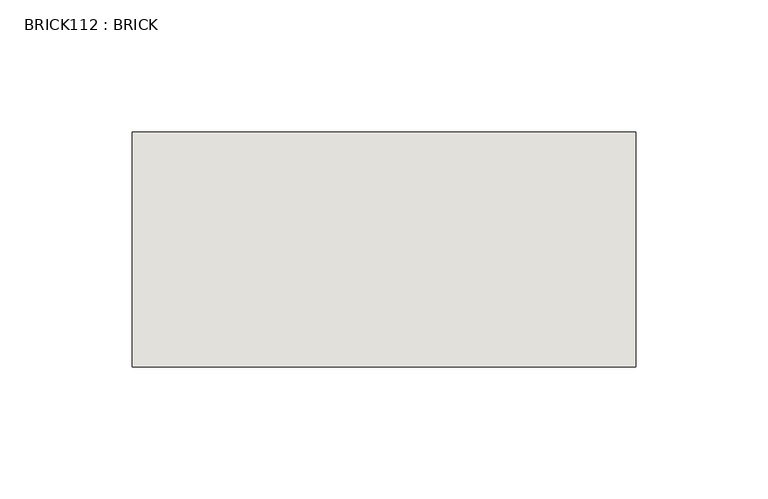
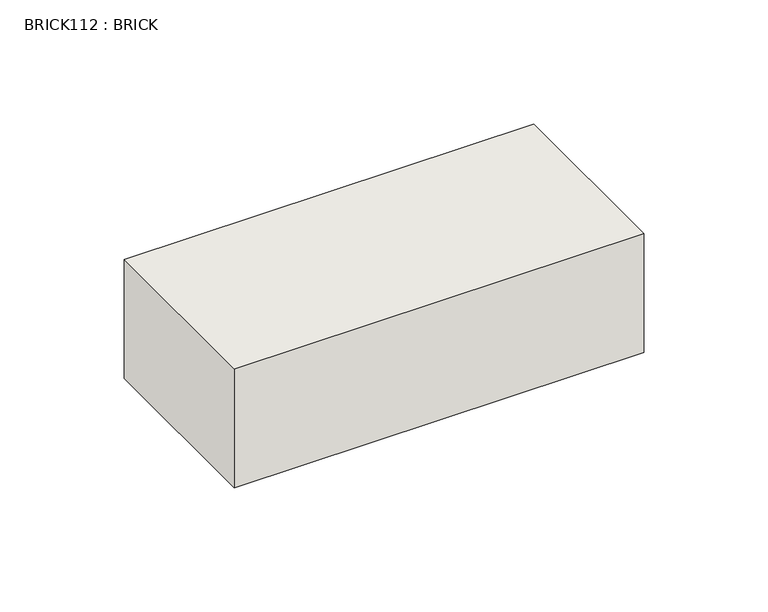
"""IFC4 building model written with IfcOpenShell, lengths in millimetres: wall geometry, BRICK112 : BRICK."""

from ifc_helpers import new_model, si_unit, frame, origin, place, context, project, spatial, polyline, outline, extrude, source, transform, mapped, element, save


def brick112_brick_5bdb07f8(model_context):
    return source(origin(), model_context, "Body", "SweptSolid", [
        extrude(outline(polyline([(935.3272594, 2586.2274125), (1125.8272594, 2586.2274125), (1125.8272594, 2497.3274125), (935.3272594, 2497.3274125), (935.3272594, 2586.2274125)])), frame((0.0, 0.0, 423.2671875), z_axis=(0.0, 0.0, 1.0), x_axis=(1.0, 0.0, 0.0)), (0.0, 0.0, 1.0), 58.4398437),
    ])


if __name__ == "__main__":
    model = new_model("IFC4")
    model_context = context("Model", 3, world=origin())
    ifc_project = project(units=[si_unit("LENGTHUNIT", "METRE", prefix="MILLI")], contexts=[model_context])
    site = spatial("IfcSite", under=ifc_project)
    building = spatial("IfcBuilding", under=site)
    placement = place(None, origin())
    brick112_brick_shape = brick112_brick_5bdb07f8(model_context)
    element("IfcWall", 1, ObjectType="BRICK112 : BRICK", at=placement, inside=building, context=model_context, shape_type="MappedRepresentation", body=[
        mapped(brick112_brick_shape, transform((0.0, 0.0, 0.0), x_axis=(1.0, 0.0, 0.0), y_axis=(0.0, 1.0, 0.0), z_axis=(0.0, 0.0, 1.0))),
    ])
    save(model, "model.ifc")
